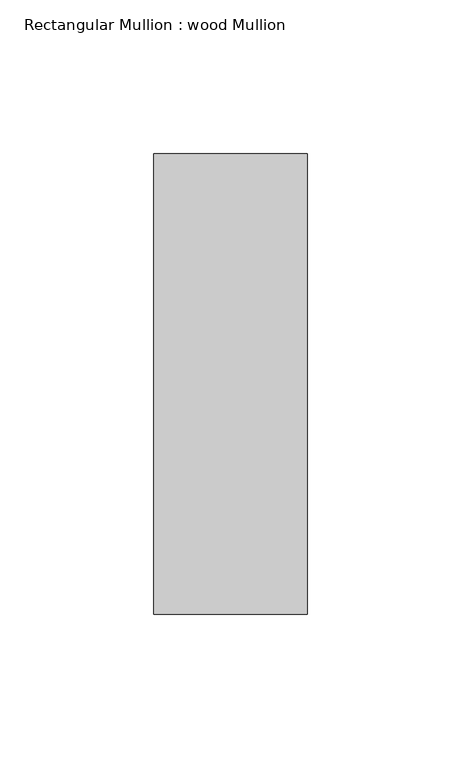
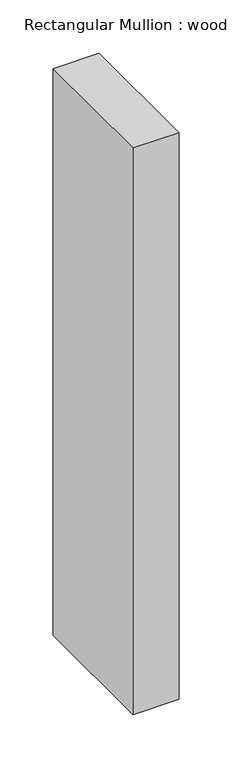
"""IFC4 building model written with IfcOpenShell, lengths in millimetres: member geometry, Rectangular Mullion : wood Mullion."""

import ifcopenshell
import ifcopenshell.guid

model = None  # the IFC model being written
_history = None  # IfcOwnerHistory: only IFC2X3 demands one
_inside = {}  # id of a spatial element -> (the spatial element, [elements in it])
_under = {}  # id of a project, library or spatial element -> (it, [spatial elements below it])
_declared = {}  # id of a project -> (the project, [libraries it declares])
_typed = {}  # id of a type object -> (the type object, [elements of that type])
_made_of = {}  # id of a material, layer set ... -> (it, [elements and type objects made of it])


def new_model(schema):
    """Start an empty IFC model of exactly this schema.

    Asked for "IFC4X3", IfcOpenShell would pick the latest addendum, in which some entities
    have other attributes; the version numbers below select the first issue.
    IFC2X3 requires an IfcOwnerHistory on every rooted entity: one is made here for all.
    """
    global model, _history
    if schema == "IFC4X3":
        model = ifcopenshell.file(schema_version=(4, 3, 0, 0))
    else:
        model = ifcopenshell.file(schema=schema)
    _inside.clear()
    _under.clear()
    _declared.clear()
    _typed.clear()
    _made_of.clear()
    _history = None
    if model.schema == "IFC2X3":
        org = make("IfcOrganization", Name="unknown")
        user = make(
            "IfcPersonAndOrganization",
            ThePerson=make("IfcPerson", FamilyName="unknown"),
            TheOrganization=org,
        )
        app = make(
            "IfcApplication",
            ApplicationDeveloper=org,
            Version="unknown",
            ApplicationFullName="unknown",
            ApplicationIdentifier="unknown",
        )
        _history = make(
            "IfcOwnerHistory",
            OwningUser=user,
            OwningApplication=app,
            ChangeAction="ADDED",
            CreationDate=0,
        )
    return model


def make(cls, **values):
    """One entity of the class cls with the attributes given. An attribute that is None is left unset."""
    return model.create_entity(
        cls, **{name: value for name, value in values.items() if value is not None}
    )


def rooted(cls, **values):
    """An entity with a GlobalId (a new one), such as an element, a storey or a relation."""
    return make(cls, GlobalId=ifcopenshell.guid.new(), OwnerHistory=_history, **values)


def si_unit(unit_type, name, prefix=None):
    """IfcSIUnit, for example si_unit("LENGTHUNIT", "METRE", prefix="MILLI")."""
    return make("IfcSIUnit", UnitType=unit_type, Prefix=prefix, Name=name)


def assignment(units):
    """IfcUnitAssignment: the units of a project."""
    return None if units is None else make("IfcUnitAssignment", Units=units)


def point(xyz):
    """IfcCartesianPoint."""
    return None if xyz is None else make("IfcCartesianPoint", Coordinates=xyz)


def direction(xyz):
    """IfcDirection."""
    return None if xyz is None else make("IfcDirection", DirectionRatios=xyz)


def frame(location, z_axis=None, x_axis=None):
    """IfcAxis2Placement3D, a coordinate frame: its origin and axes. An axis left out is left unset."""
    return make(
        "IfcAxis2Placement3D",
        Location=point(location),
        Axis=direction(z_axis),
        RefDirection=direction(x_axis),
    )


def origin():
    """The frame at (0, 0, 0) with its axes left unset."""
    return frame((0.0, 0.0, 0.0))


def place(relative_to, where):
    """IfcLocalPlacement: puts the frame where relative to a parent placement (None: the world)."""
    return make(
        "IfcLocalPlacement", PlacementRelTo=relative_to, RelativePlacement=where
    )


def context(
    kind, dimensions, precision=None, world=None, true_north=None, identifier=None
):
    """IfcGeometricRepresentationContext, for example the 3D "Model" context."""
    return make(
        "IfcGeometricRepresentationContext",
        ContextIdentifier=identifier,
        ContextType=kind,
        CoordinateSpaceDimension=dimensions,
        Precision=precision,
        WorldCoordinateSystem=world,
        TrueNorth=true_north,
    )


def project(units=None, contexts=None):
    """IfcProject with its units and contexts."""
    return rooted(
        "IfcProject",
        Name="project",
        RepresentationContexts=contexts,
        UnitsInContext=assignment(units),
    )


def spatial(cls, under=None, at=None, **own):
    """A site, building, storey or space (cls), placed at a placement, below another one or the project."""
    s = rooted(cls, ObjectPlacement=at, **own)
    if under is not None:
        _under.setdefault(under.id(), (under, []))[1].append(s)
    return s


def polyline(points):
    """IfcPolyline through the points."""
    return make("IfcPolyline", Points=[point(p) for p in points])


def outline(outer, holes=None, kind="AREA"):
    """IfcArbitraryClosedProfileDef: a profile drawn as a closed curve; with holes, ...WithVoids."""
    if holes is None:
        return make("IfcArbitraryClosedProfileDef", ProfileType=kind, OuterCurve=outer)
    return make(
        "IfcArbitraryProfileDefWithVoids",
        ProfileType=kind,
        OuterCurve=outer,
        InnerCurves=holes,
    )


def extrude(swept, where, along, depth):
    """IfcExtrudedAreaSolid: the profile swept, set in the frame where, extruded along a direction by depth."""
    return make(
        "IfcExtrudedAreaSolid",
        SweptArea=swept,
        Position=where,
        ExtrudedDirection=direction(along),
        Depth=depth,
    )


def shape(context_of_items, identifier, shape_type, items):
    """IfcShapeRepresentation: the items that make up one representation, for example the "Body"."""
    return make(
        "IfcShapeRepresentation",
        ContextOfItems=context_of_items,
        RepresentationIdentifier=identifier,
        RepresentationType=shape_type,
        Items=items,
    )


def source(mapping_origin, context_of_items, identifier, shape_type, items):
    """IfcRepresentationMap: a shape defined once, which mapped items show again and again."""
    return make(
        "IfcRepresentationMap",
        MappingOrigin=mapping_origin,
        MappedRepresentation=shape(context_of_items, identifier, shape_type, items),
    )


def transform(
    local_origin,
    x_axis=None,
    y_axis=None,
    z_axis=None,
    scale=None,
    scale2=None,
    scale3=None,
    uniform=True,
):
    """IfcCartesianTransformationOperator3D, or its non-uniform kind. x_axis, y_axis, z_axis: its Axis1, 2, 3."""
    if uniform:
        return make(
            "IfcCartesianTransformationOperator3D",
            Axis1=direction(x_axis),
            Axis2=direction(y_axis),
            LocalOrigin=point(local_origin),
            Scale=scale,
            Axis3=direction(z_axis),
        )
    return make(
        "IfcCartesianTransformationOperator3DnonUniform",
        Axis1=direction(x_axis),
        Axis2=direction(y_axis),
        LocalOrigin=point(local_origin),
        Scale=scale,
        Axis3=direction(z_axis),
        Scale2=scale2,
        Scale3=scale3,
    )


def mapped(mapping_source, mapping_target):
    """IfcMappedItem: shows the shape of a source again, moved by a transform."""
    return make(
        "IfcMappedItem", MappingSource=mapping_source, MappingTarget=mapping_target
    )


def made_of(thing, what):
    """Note that an element or type object is made of a material, layer set ...; save() writes the relation."""
    if what is not None:
        _made_of.setdefault(what.id(), (what, []))[1].append(thing)
    return thing


def element(
    cls,
    number,
    at=None,
    inside=None,
    cuts=None,
    type_object=None,
    material=None,
    context=None,
    identifier="Body",
    shape_type=None,
    held_by="IfcProductDefinitionShape",
    body=None,
    shapes=None,
    **own,
):
    """One element of the class cls, such as IfcWall. Its Tag is "e" and its number.

    at: its placement. inside: the storey or other place that contains it. cuts: it is an
    opening in that element (IfcRelVoidsElement). A single representation is given by context,
    identifier, shape_type and body (its items); several are given by shapes. held_by: the class
    of the entity that holds the representations. save() writes the other relations.
    """
    e = rooted(cls, Tag="e%d" % number, ObjectPlacement=at, **own)
    if body is not None:
        shapes = [shape(context, identifier, shape_type, body)]
    if shapes is not None:
        e.Representation = make(held_by, Representations=shapes)
    if inside is not None:
        _inside.setdefault(inside.id(), (inside, []))[1].append(e)
    if cuts is not None:
        rooted(
            "IfcRelVoidsElement", RelatingBuildingElement=cuts, RelatedOpeningElement=e
        )
    if type_object is not None:
        _typed.setdefault(type_object.id(), (type_object, []))[1].append(e)
    return made_of(e, material)


def aggregate(whole, parts):
    """IfcRelAggregates: a whole, such as a stair, and the parts it consists of."""
    return rooted("IfcRelAggregates", RelatingObject=whole, RelatedObjects=parts)


def save(model, path):
    """Write the relations noted so far, then the file.

    IfcRelAggregates (storeys below a building ...), IfcRelContainedInSpatialStructure (elements
    in a storey), IfcRelDefinesByType, IfcRelAssociatesMaterial and IfcRelDeclares: one each for
    every whole, place, type object, material and project.
    """
    for whole, parts in _under.values():
        aggregate(whole, parts)
    for where, things in _inside.values():
        rooted(
            "IfcRelContainedInSpatialStructure",
            RelatedElements=things,
            RelatingStructure=where,
        )
    for kind, things in _typed.values():
        rooted("IfcRelDefinesByType", RelatedObjects=things, RelatingType=kind)
    for what, things in _made_of.values():
        rooted("IfcRelAssociatesMaterial", RelatedObjects=things, RelatingMaterial=what)
    for by, libraries in _declared.values():
        rooted("IfcRelDeclares", RelatingContext=by, RelatedDefinitions=libraries)
    model.write(path)


def rectangular_mullion_wood_mullion_9b8962c0(model_context):
    return source(origin(), model_context, "Body", "SweptSolid", [
        extrude(outline(polyline([(0.0, 75.0), (0.0, -75.0), (-50.0, -75.0), (-50.0, 75.0), (0.0, 75.0)])), frame((0.0, 0.0, -650.0), z_axis=(0.0, 0.0, 1.0), x_axis=(1.0, 0.0, 0.0)), (0.0, 0.0, 1.0), 650.0),
    ])


if __name__ == "__main__":
    model = new_model("IFC4")
    model_context = context("Model", 3, world=origin())
    ifc_project = project(units=[si_unit("LENGTHUNIT", "METRE", prefix="MILLI")], contexts=[model_context])
    site = spatial("IfcSite", under=ifc_project)
    building = spatial("IfcBuilding", under=site)
    placement = place(None, origin())
    rectangular_mullion_wood_mullion_shape = rectangular_mullion_wood_mullion_9b8962c0(model_context)
    element("IfcMember", 1, ObjectType="Rectangular Mullion : wood Mullion", at=placement, inside=building, context=model_context, shape_type="MappedRepresentation", body=[
        mapped(rectangular_mullion_wood_mullion_shape, transform((0.0, 0.0, 0.0), x_axis=(1.0, 0.0, 0.0), y_axis=(0.0, 1.0, 0.0), z_axis=(0.0, 0.0, 1.0))),
    ])
    save(model, "model.ifc")
